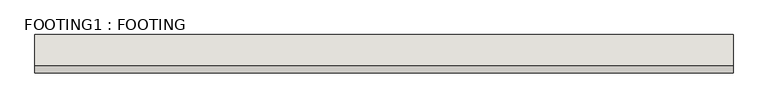
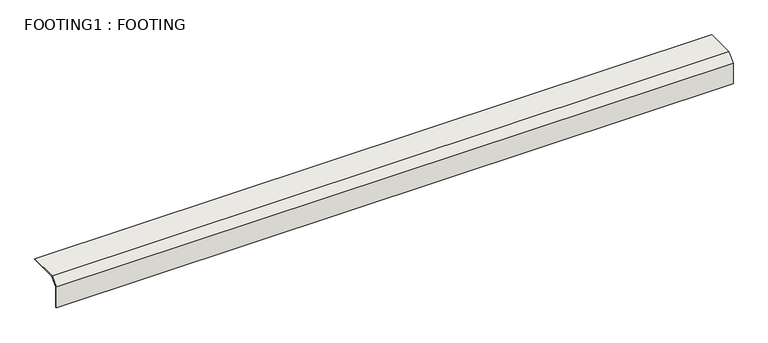
"""IFC4 building model written with IfcOpenShell, lengths in millimetres: wall geometry, FOOTING1 : FOOTING."""

from ifc_helpers import new_model, si_unit, frame, origin, place, context, project, spatial, polyline, outline, extrude, source, transform, mapped, element, save


def footing1_footing_1bd02f85(model_context):
    return source(origin(), model_context, "Body", "SweptSolid", [
        extrude(outline(polyline([(2101.0117817, 697.6481757), (2077.1992817, 673.8356757), (2077.1992817, 597.6356757), (2074.0242817, 597.6356757), (2074.0242817, 675.1508038), (2099.6966537, 700.8231757), (2204.1992817, 700.8231757), (2204.1992817, 697.6481757), (2101.0117817, 697.6481757)])), frame((-1698.5606997, 0.0, 0.0), z_axis=(1.0, 0.0, 0.0), x_axis=(0.0, 1.0, 0.0)), (0.0, 0.0, 1.0), 2374.9),
    ])


if __name__ == "__main__":
    model = new_model("IFC4")
    model_context = context("Model", 3, world=origin())
    ifc_project = project(units=[si_unit("LENGTHUNIT", "METRE", prefix="MILLI")], contexts=[model_context])
    site = spatial("IfcSite", under=ifc_project)
    building = spatial("IfcBuilding", under=site)
    placement = place(None, origin())
    footing1_footing_shape = footing1_footing_1bd02f85(model_context)
    element("IfcWall", 1, ObjectType="FOOTING1 : FOOTING", at=placement, inside=building, context=model_context, shape_type="MappedRepresentation", body=[
        mapped(footing1_footing_shape, transform((0.0, 0.0, 0.0), x_axis=(1.0, 0.0, 0.0), y_axis=(0.0, 1.0, 0.0), z_axis=(0.0, 0.0, 1.0))),
    ])
    save(model, "model.ifc")
